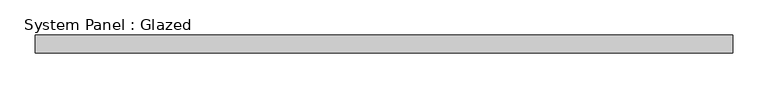
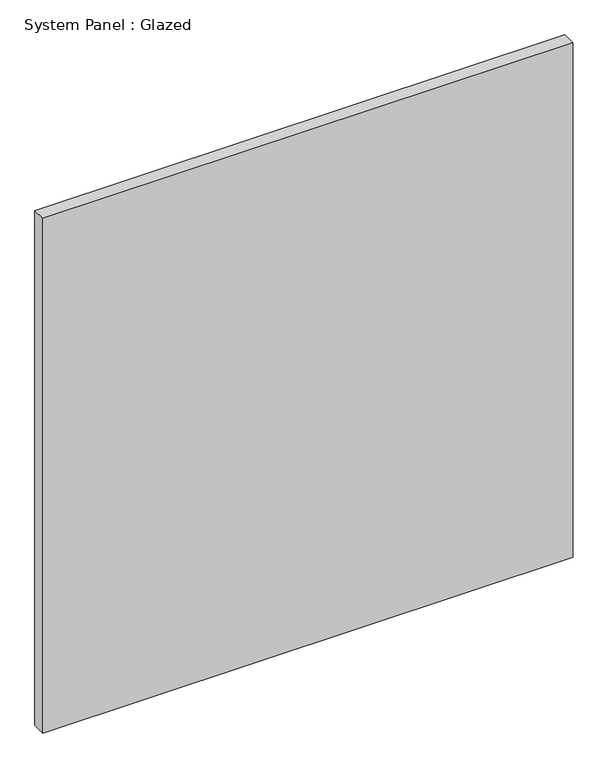
"""IFC4 building model written with IfcOpenShell, lengths in millimetres: plate geometry, System Panel : Glazed."""

from ifc_helpers import new_model, si_unit, origin, origin_with_axes, place, context, project, spatial, polyline, outline, extrude, source, transform, mapped, element, save


def system_panel_glazed_5c25f2d8(model_context):
    return source(origin(), model_context, "Body", "SweptSolid", [
        extrude(outline(polyline([(495.3, -12.7), (-495.3, -12.7), (-495.3, 12.7), (495.3, 12.7), (495.3, -12.7)])), origin_with_axes(), (0.0, 0.0, 1.0), 1016.0),
    ])


if __name__ == "__main__":
    model = new_model("IFC4")
    model_context = context("Model", 3, world=origin())
    ifc_project = project(units=[si_unit("LENGTHUNIT", "METRE", prefix="MILLI")], contexts=[model_context])
    site = spatial("IfcSite", under=ifc_project)
    building = spatial("IfcBuilding", under=site)
    placement = place(None, origin())
    system_panel_glazed_shape = system_panel_glazed_5c25f2d8(model_context)
    element("IfcPlate", 1, ObjectType="System Panel : Glazed", at=placement, inside=building, context=model_context, shape_type="MappedRepresentation", body=[
        mapped(system_panel_glazed_shape, transform((0.0, 0.0, 0.0), x_axis=(1.0, 0.0, 0.0), y_axis=(0.0, 1.0, 0.0), z_axis=(0.0, 0.0, 1.0))),
    ])
    save(model, "model.ifc")
